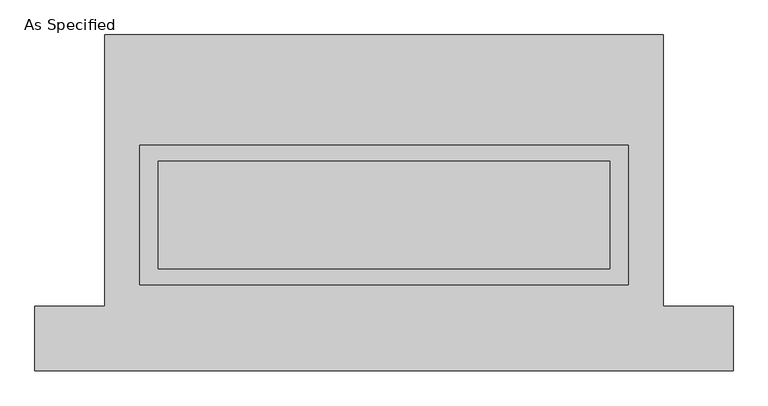
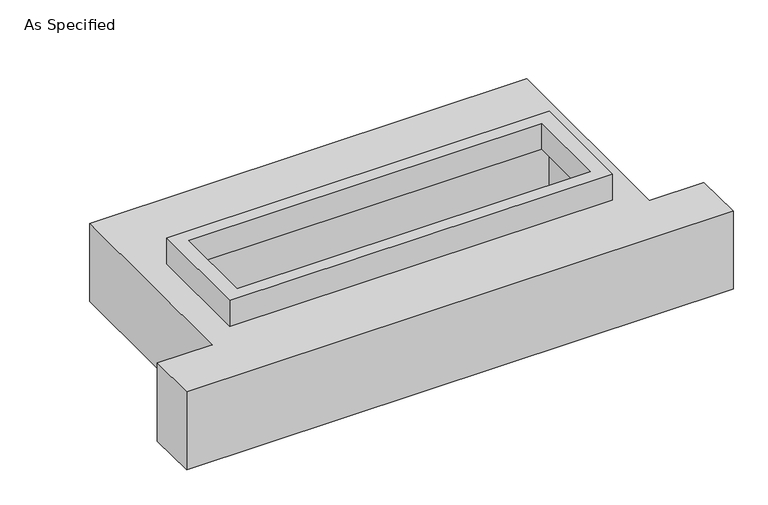
"""IFC4 building model written with IfcOpenShell, lengths in millimetres: proxy geometry, As Specified."""

from ifc_helpers import new_model, si_unit, frame, origin, place, context, project, spatial, polyline, outline, extrude, faceted_brep, source, transform, mapped, element, save


def as_specified_8b78e5e6(model_context):
    return source(origin(), model_context, "Body", "SolidModel", [
        extrude(outline(polyline([(1155.7, 273.05), (1155.7, -387.35), (-1155.7, -387.35), (-1155.7, 273.05), (1155.7, 273.05)]), holes=[polyline([(1066.8, 196.85), (-1066.8, 196.85), (-1066.8, -311.15), (1066.8, -311.15), (1066.8, 196.85)])]), frame((0.0, 0.0, -25.4), z_axis=(0.0, 0.0, 1.0), x_axis=(1.0, 0.0, 0.0)), (0.0, 0.0, 1.0), 165.1),
        faceted_brep([(-1320.8, 793.75, -523.875), (1320.8, 793.75, -523.875), (1320.8, -488.95, -523.875), (1651.0, -488.95, -523.875), (1651.0, -793.75, -523.875), (-1651.0, -793.75, -523.875), (-1651.0, -488.95, -523.875), (-1320.8, -488.95, -523.875), (1320.8, 793.75, -25.4), (-1320.8, 793.75, -25.4), (-1320.8, -488.95, -25.4), (-1651.0, -488.95, -25.4), (-1651.0, -793.75, -25.4), (1651.0, -793.75, -25.4), (1651.0, -488.95, -25.4), (1320.8, -488.95, -25.4), (-1155.7, -387.35, -25.4), (-1155.7, 273.05, -25.4), (1155.7, 273.05, -25.4), (1155.7, -387.35, -25.4), (1155.7, 273.05, -498.475), (-1155.7, 273.05, -498.475), (-1155.7, -387.35, -498.475), (1155.7, -387.35, -498.475)], [[[0, 1, 2, 3, 4, 5, 6, 7]], [[8, 9, 10, 11, 12, 13, 14, 15], [16, 17, 18, 19]], [[1, 0, 9, 8]], [[9, 0, 7, 10]], [[1, 8, 15, 2]], [[20, 21, 22, 23]], [[22, 21, 17, 16]], [[21, 20, 18, 17]], [[20, 23, 19, 18]], [[23, 22, 16, 19]], [[5, 4, 13, 12]], [[3, 2, 15, 14]], [[4, 3, 14, 13]], [[7, 6, 11, 10]], [[6, 5, 12, 11]]]),
    ])


if __name__ == "__main__":
    model = new_model("IFC4")
    model_context = context("Model", 3, world=origin())
    ifc_project = project(units=[si_unit("LENGTHUNIT", "METRE", prefix="MILLI")], contexts=[model_context])
    site = spatial("IfcSite", under=ifc_project)
    building = spatial("IfcBuilding", under=site)
    placement = place(None, origin())
    as_specified_shape = as_specified_8b78e5e6(model_context)
    element("IfcBuildingElementProxy", 1, Name="As Specified", ObjectType="As Specified", at=placement, inside=building, context=model_context, shape_type="MappedRepresentation", body=[
        mapped(as_specified_shape, transform((0.0, 0.0, 0.0), x_axis=(1.0, 0.0, 0.0), y_axis=(0.0, 1.0, 0.0), z_axis=(0.0, 0.0, 1.0))),
    ])
    save(model, "model.ifc")
